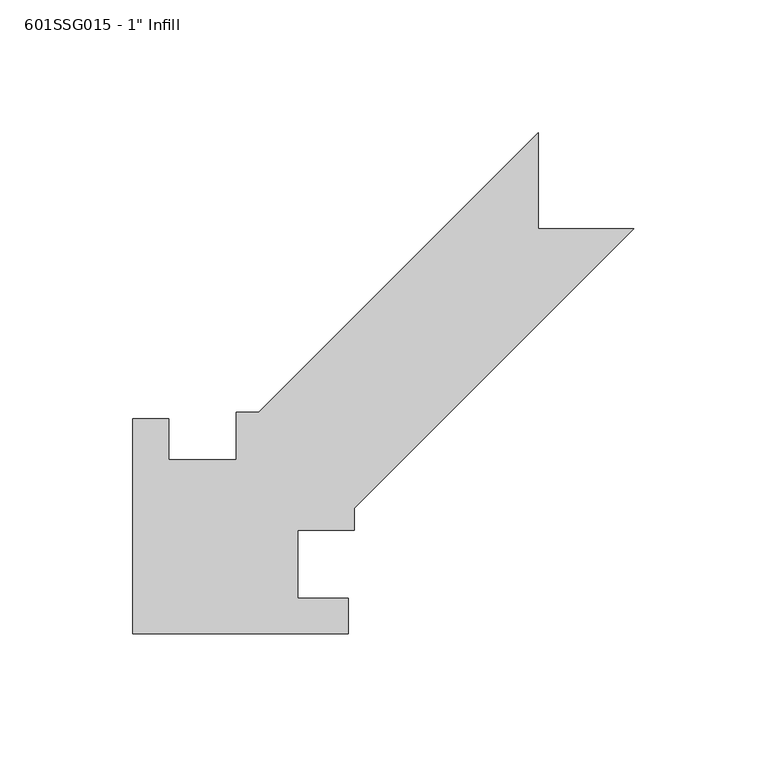
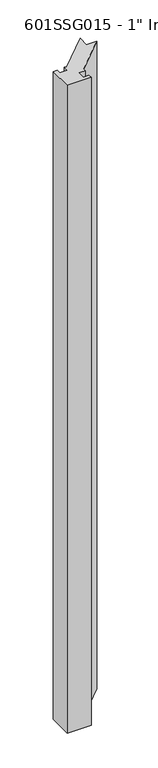
"""IFC4 building model written with IfcOpenShell, lengths in millimetres: proxy geometry."""

from ifc_helpers import new_model, si_unit, frame, origin, place, context, project, spatial, polyline, outline, extrude, source, transform, mapped, element, save


def proxy_004d08ad(model_context):
    return source(origin(), model_context, "Body", "SweptSolid", [
        extrude(outline(polyline([(-26.19375, 54.76875), (-12.7, 54.76875), (-12.7, 39.3014788), (12.7, 39.3014788), (12.7, 57.0655687), (21.1445443, 57.0655687), (126.20625, 162.1272745), (126.20625, 126.20625), (162.1272745, 126.20625), (57.0655687, 21.1445443), (57.0655687, 12.7), (35.71875, 12.7), (35.71875, -12.7), (54.76875, -12.7), (54.76875, -26.19375), (-26.19375, -26.19375), (-26.19375, 54.76875)])), frame((0.0, 0.0, 63.5), z_axis=(0.0, 0.0, 1.0), x_axis=(1.0, 0.0, 0.0)), (0.0, 0.0, 1.0), 2311.4),
    ])


if __name__ == "__main__":
    model = new_model("IFC4")
    model_context = context("Model", 3, world=origin())
    ifc_project = project(units=[si_unit("LENGTHUNIT", "METRE", prefix="MILLI")], contexts=[model_context])
    site = spatial("IfcSite", under=ifc_project)
    building = spatial("IfcBuilding", under=site)
    placement = place(None, origin())
    proxy_shape = proxy_004d08ad(model_context)
    element("IfcBuildingElementProxy", 1, Name="601SSG015 - 1\" Infill", ObjectType="601SSG015 - 1\" Infill", at=placement, inside=building, context=model_context, shape_type="MappedRepresentation", body=[
        mapped(proxy_shape, transform((0.0, 0.0, 0.0), x_axis=(1.0, 0.0, 0.0), y_axis=(0.0, 1.0, 0.0), z_axis=(0.0, 0.0, 1.0))),
    ])
    save(model, "model.ifc")
